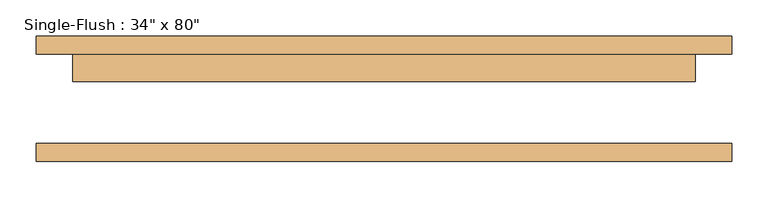
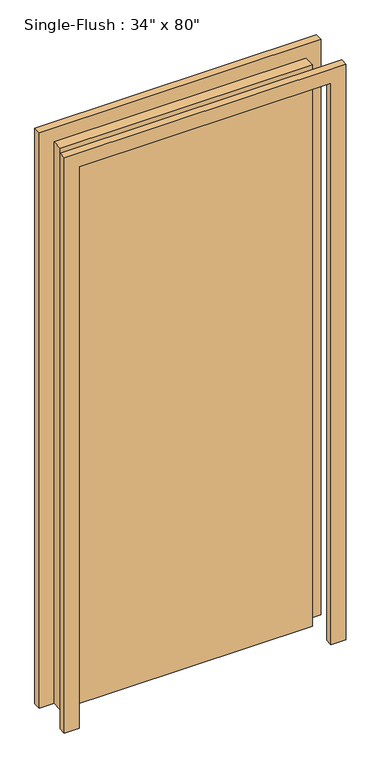
"""IFC4 building model written with IfcOpenShell, lengths in millimetres: door geometry."""

from ifc_helpers import new_model, si_unit, frame, origin, origin_with_axes, place, context, project, spatial, polyline, outline, extrude, source, transform, mapped, element, save


def door_b379ee3c(model_context):
    return source(origin(), model_context, "Body", "SweptSolid", [
        extrude(outline(polyline([(431.8, 23.8125), (-431.8, 23.8125), (-431.8, 61.9125), (431.8, 61.9125), (431.8, 23.8125)])), origin_with_axes(), (0.0, 0.0, 1.0), 2032.0),
        extrude(outline(polyline([(2082.8, -482.6), (0.0, -482.6), (0.0, -431.8), (2032.0, -431.8), (2032.0, 431.8), (0.0, 431.8), (0.0, 482.6), (2082.8, 482.6), (2082.8, -482.6)])), frame((0.0, 61.9125, 0.0), z_axis=(0.0, 1.0, 0.0), x_axis=(0.0, 0.0, 1.0)), (0.0, 0.0, 1.0), 25.4),
        extrude(outline(polyline([(2082.8, 482.6), (2082.8, -482.6), (0.0, -482.6), (0.0, -431.8), (2032.0, -431.8), (2032.0, 431.8), (0.0, 431.8), (0.0, 482.6), (2082.8, 482.6)])), frame((0.0, -87.3125, 0.0), z_axis=(0.0, 1.0, 0.0), x_axis=(0.0, 0.0, 1.0)), (0.0, 0.0, 1.0), 25.4),
    ])


if __name__ == "__main__":
    model = new_model("IFC4")
    model_context = context("Model", 3, world=origin())
    ifc_project = project(units=[si_unit("LENGTHUNIT", "METRE", prefix="MILLI")], contexts=[model_context])
    site = spatial("IfcSite", under=ifc_project)
    building = spatial("IfcBuilding", under=site)
    placement = place(None, origin())
    door_shape = door_b379ee3c(model_context)
    element("IfcDoor", 1, ObjectType="Single-Flush : 34\" x 80\"", at=placement, inside=building, context=model_context, shape_type="MappedRepresentation", body=[
        mapped(door_shape, transform((0.0, 0.0, 0.0), x_axis=(1.0, 0.0, 0.0), y_axis=(0.0, 1.0, 0.0), z_axis=(0.0, 0.0, 1.0))),
    ])
    save(model, "model.ifc")
